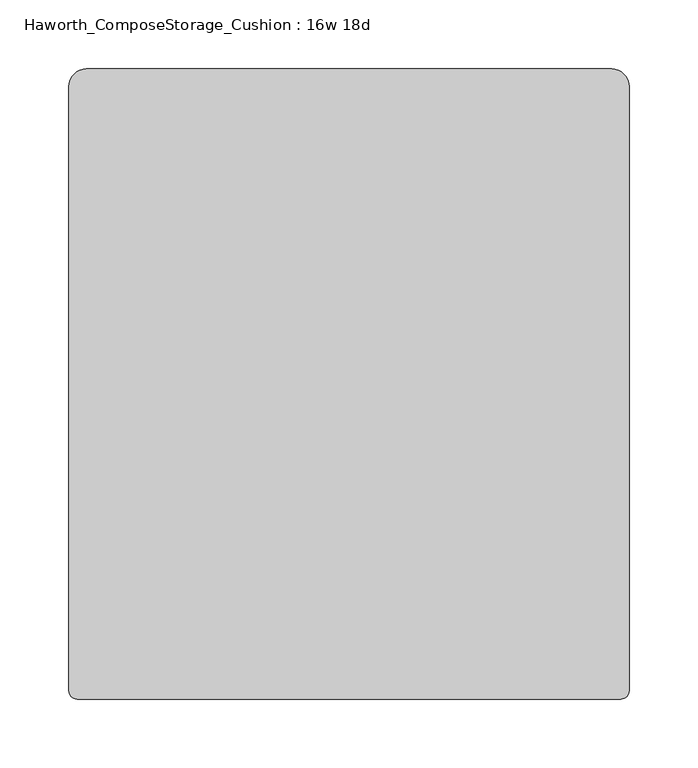
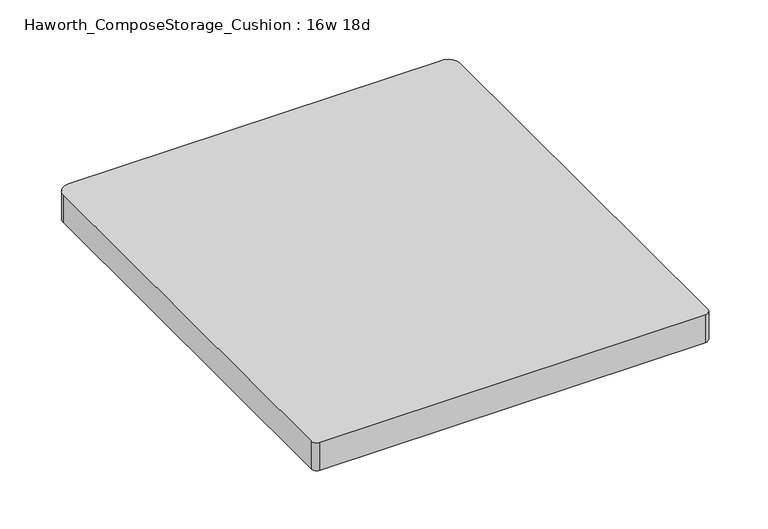
"""IFC4 building model written with IfcOpenShell, lengths in millimetres: furniture geometry, Haworth_ComposeStorage_Cushion : 16w 18d."""

from ifc_helpers import new_model, si_unit, point, frame, frame_2d, origin, place, context, project, spatial, polyline, circle_curve, trimmed, segment, composite_curve, outline, extrude, source, transform, mapped, element, save


def haworth_composestorage_cushion_16w_18d_6485f161(model_context):
    return source(origin(), model_context, "Body", "SweptSolid", [
        extrude(outline(composite_curve([segment(trimmed(circle_curve(frame_2d((190.5, 215.9)), 12.7), [point((190.5, 228.6))], [point((203.2, 215.9))], False, "CARTESIAN"), True, "CONTINUOUS"), segment(polyline([(203.2, 215.9), (203.2, -222.6870224)]), True, "CONTINUOUS"), segment(trimmed(circle_curve(frame_2d((197.2870224, -222.6870224)), 5.9129776), [point((203.2, -222.6870224))], [point((197.2870224, -228.6))], False, "CARTESIAN"), True, "CONTINUOUS"), segment(polyline([(197.2870224, -228.6), (-197.2870224, -228.6)]), True, "CONTINUOUS"), segment(trimmed(circle_curve(frame_2d((-197.2870224, -222.6870224)), 5.9129776), [point((-197.2870224, -228.6))], [point((-203.2, -222.6870224))], False, "CARTESIAN"), True, "CONTINUOUS"), segment(polyline([(-203.2, -222.6870224), (-203.2, 215.9)]), True, "CONTINUOUS"), segment(trimmed(circle_curve(frame_2d((-190.5, 215.9)), 12.7), [point((-203.2, 215.9))], [point((-190.5, 228.6))], False, "CARTESIAN"), True, "CONTINUOUS"), segment(polyline([(-190.5, 228.6), (190.5, 228.6)]), True, "CONTINUOUS")], self_intersect=False)), frame((0.0, 0.0, 609.6), z_axis=(0.0, 0.0, 1.0), x_axis=(1.0, 0.0, 0.0)), (0.0, 0.0, 1.0), 30.1625),
    ])


if __name__ == "__main__":
    model = new_model("IFC4")
    model_context = context("Model", 3, world=origin())
    ifc_project = project(units=[si_unit("LENGTHUNIT", "METRE", prefix="MILLI")], contexts=[model_context])
    site = spatial("IfcSite", under=ifc_project)
    building = spatial("IfcBuilding", under=site)
    placement = place(None, origin())
    haworth_composestorage_cushion_16w_18d_shape = haworth_composestorage_cushion_16w_18d_6485f161(model_context)
    element("IfcFurniture", 1, ObjectType="Haworth_ComposeStorage_Cushion : 16w 18d", at=placement, inside=building, context=model_context, shape_type="MappedRepresentation", body=[
        mapped(haworth_composestorage_cushion_16w_18d_shape, transform((0.0, 0.0, 0.0), x_axis=(1.0, 0.0, 0.0), y_axis=(0.0, 1.0, 0.0), z_axis=(0.0, 0.0, 1.0))),
    ])
    save(model, "model.ifc")
